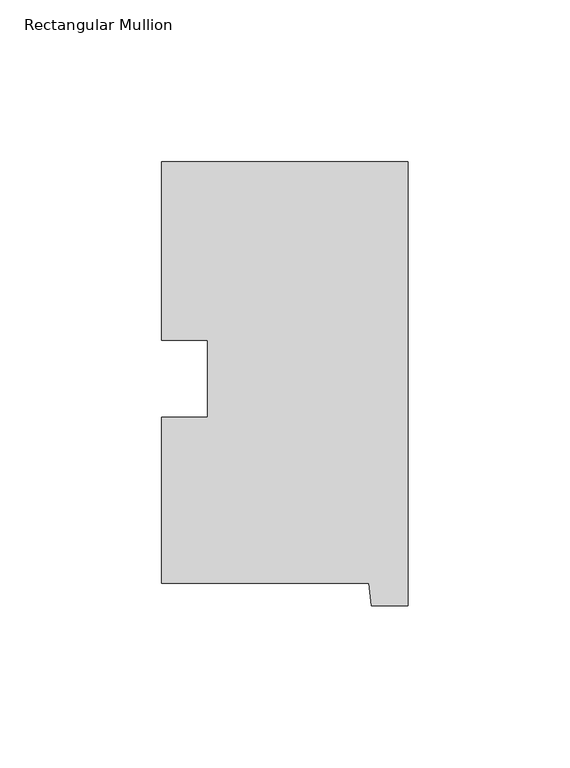
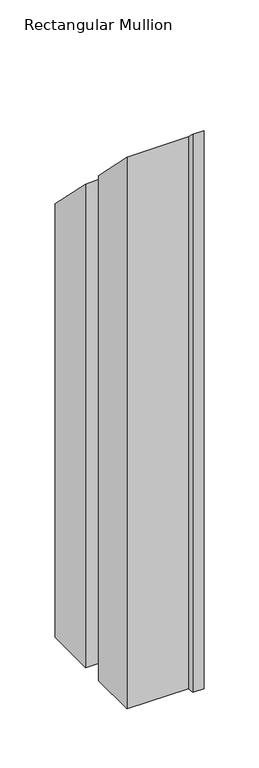
"""IFC4 building model written with IfcOpenShell, lengths in millimetres: member geometry, Rectangular Mullion."""

from ifc_helpers import new_model, si_unit, origin, place, context, project, spatial, faceted_brep, source, transform, mapped, element, save


def rectangular_mullion_30d1a433(model_context):
    return source(origin(), model_context, "Body", "Brep", [
        faceted_brep([(-76.2, 130.56235, -609.6), (0.0, 130.56235, -609.6), (0.0, -6.64845, -609.6), (-11.4023812, -6.64845, -609.6), (-12.1549448, 0.26035, -609.6), (-76.2, 0.26035, -609.6), (-76.2, 51.60645, -609.6), (-61.960125, 51.60645, -609.6), (-61.960125, 75.40625, -609.6), (-76.2, 75.40625, -609.6), (-76.2, 75.40625, -75.40625), (-76.2, 130.56235, -130.56235), (-61.960125, 75.40625, -75.40625), (-61.960125, 51.60645, -51.60645), (-76.2, 51.60645, -51.60645), (-76.2, 0.26035, -0.26035), (-12.1549448, 0.26035, -0.26035), (-11.4023812, -6.64845, 6.64845), (0.0, -6.64845, 6.64845), (0.0, 130.56235, -130.56235)], [[[0, 1, 2, 3, 4, 5, 6, 7, 8, 9]], [[10, 11, 0, 9]], [[12, 10, 9, 8]], [[13, 12, 8, 7]], [[14, 13, 7, 6]], [[15, 14, 6, 5]], [[16, 15, 5, 4]], [[17, 16, 4, 3]], [[18, 17, 3, 2]], [[19, 18, 2, 1]], [[11, 19, 1, 0]], [[11, 10, 12, 13, 14, 15, 16, 17, 18, 19]]]),
    ])


if __name__ == "__main__":
    model = new_model("IFC4")
    model_context = context("Model", 3, world=origin())
    ifc_project = project(units=[si_unit("LENGTHUNIT", "METRE", prefix="MILLI")], contexts=[model_context])
    site = spatial("IfcSite", under=ifc_project)
    building = spatial("IfcBuilding", under=site)
    placement = place(None, origin())
    rectangular_mullion_shape = rectangular_mullion_30d1a433(model_context)
    element("IfcMember", 1, ObjectType="Rectangular Mullion", at=placement, inside=building, context=model_context, shape_type="MappedRepresentation", body=[
        mapped(rectangular_mullion_shape, transform((0.0, 0.0, 0.0), x_axis=(1.0, 0.0, 0.0), y_axis=(0.0, 1.0, 0.0), z_axis=(0.0, 0.0, 1.0))),
    ])
    save(model, "model.ifc")
